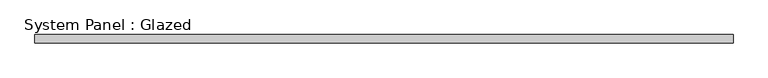
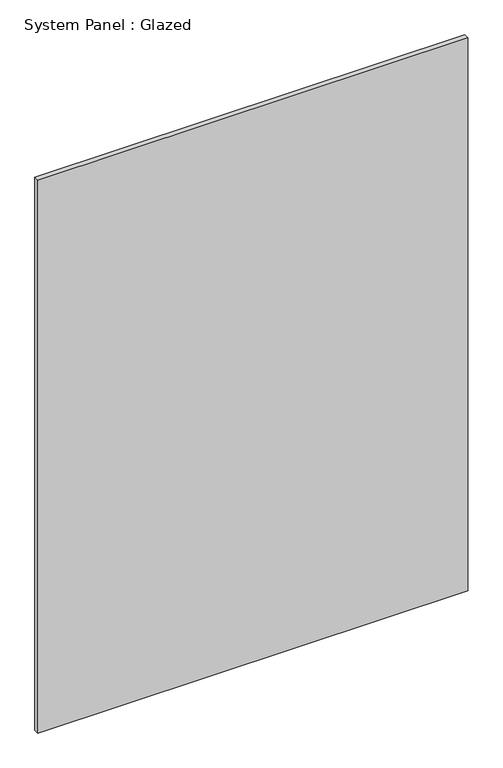
"""IFC4 building model written with IfcOpenShell, lengths in millimetres: plate geometry, System Panel : Glazed."""

from ifc_helpers import new_model, si_unit, origin, origin_with_axes, place, context, project, spatial, polyline, outline, extrude, source, transform, mapped, element, save


def system_panel_glazed_e2c79abd(model_context):
    return source(origin(), model_context, "Body", "SweptSolid", [
        extrude(outline(polyline([(1062.5, 19.05), (-1062.5, 19.05), (-1062.5, 44.45), (1062.5, 44.45), (1062.5, 19.05)])), origin_with_axes(), (0.0, 0.0, 1.0), 2890.0),
    ])


if __name__ == "__main__":
    model = new_model("IFC4")
    model_context = context("Model", 3, world=origin())
    ifc_project = project(units=[si_unit("LENGTHUNIT", "METRE", prefix="MILLI")], contexts=[model_context])
    site = spatial("IfcSite", under=ifc_project)
    building = spatial("IfcBuilding", under=site)
    placement = place(None, origin())
    system_panel_glazed_shape = system_panel_glazed_e2c79abd(model_context)
    element("IfcPlate", 1, ObjectType="System Panel : Glazed", at=placement, inside=building, context=model_context, shape_type="MappedRepresentation", body=[
        mapped(system_panel_glazed_shape, transform((0.0, 0.0, 0.0), x_axis=(1.0, 0.0, 0.0), y_axis=(0.0, 1.0, 0.0), z_axis=(0.0, 0.0, 1.0))),
    ])
    save(model, "model.ifc")
